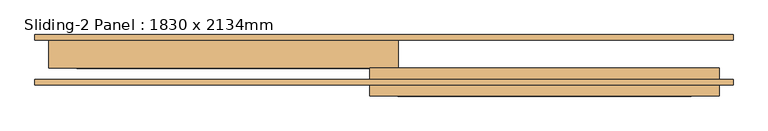
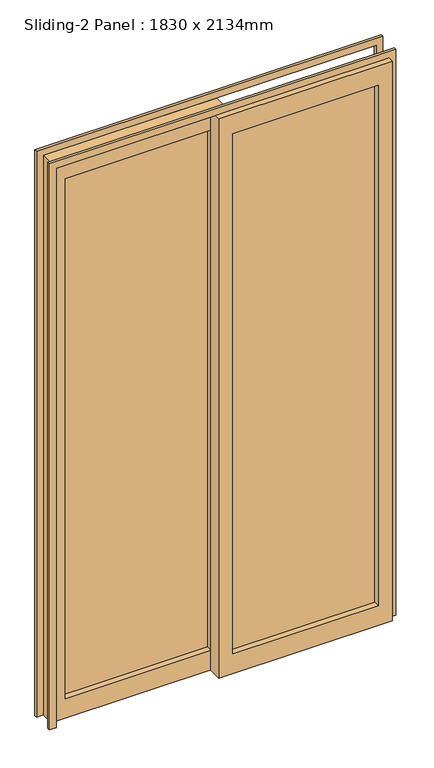
"""IFC4 building model written with IfcOpenShell, lengths in millimetres: door geometry, Sliding-2 Panel : 1830 x 2134mm."""

from ifc_helpers import new_model, si_unit, frame, origin, place, context, project, spatial, polyline, outline, extrude, source, transform, mapped, element, save


def sliding_2_panel_1830_x_2134mm_0e71eb37(model_context):
    return source(origin(), model_context, "Body", "SweptSolid", [
        extrude(outline(polyline([(25.4, 90.175), (550.0, 90.175), (550.0, 83.825), (25.4, 83.825), (25.4, 90.175)])), frame((0.0, 0.0, 75.0), z_axis=(0.0, 0.0, 1.0), x_axis=(1.0, 0.0, 0.0)), (0.0, 0.0, 1.0), 1984.0),
        extrude(outline(polyline([(2134.0, -25.4), (0.0, -25.4), (0.0, 600.0), (2134.0, 600.0), (2134.0, -25.4)]), holes=[polyline([(2059.0, 24.6), (2059.0, 550.0), (75.0, 550.0), (75.0, 24.6), (2059.0, 24.6)])]), frame((0.0, 62.0, 0.0), z_axis=(0.0, 1.0, 0.0), x_axis=(0.0, 0.0, 1.0)), (0.0, 0.0, 1.0), 50.0),
        extrude(outline(polyline([(-550.0, 140.175), (-24.6, 140.175), (-24.6, 133.825), (-550.0, 133.825), (-550.0, 140.175)])), frame((0.0, 0.0, 75.0), z_axis=(0.0, 0.0, 1.0), x_axis=(1.0, 0.0, 0.0)), (0.0, 0.0, 1.0), 1984.0),
        extrude(outline(polyline([(2134.0, 25.4), (2134.0, -600.0), (0.0, -600.0), (0.0, 25.4), (2134.0, 25.4)]), holes=[polyline([(2059.0, -24.6), (75.0, -24.6), (75.0, -550.0), (2059.0, -550.0), (2059.0, -24.6)])]), frame((0.0, 112.0, 0.0), z_axis=(0.0, 1.0, 0.0), x_axis=(0.0, 0.0, 1.0)), (0.0, 0.0, 1.0), 50.0),
        extrude(outline(polyline([(0.0, -625.0), (0.0, -600.0), (2134.0, -600.0), (2134.0, 600.0), (0.0, 600.0), (0.0, 625.0), (2159.0, 625.0), (2159.0, -625.0), (0.0, -625.0)])), frame((0.0, 82.0, 0.0), z_axis=(0.0, 1.0, 0.0), x_axis=(0.0, 0.0, 1.0)), (0.0, 0.0, 1.0), 10.0),
        extrude(outline(polyline([(0.0, 625.0), (2159.0, 625.0), (2159.0, -625.0), (0.0, -625.0), (0.0, -600.0), (2134.0, -600.0), (2134.0, 600.0), (0.0, 600.0), (0.0, 625.0)])), frame((0.0, 162.0, 0.0), z_axis=(0.0, 1.0, 0.0), x_axis=(0.0, 0.0, 1.0)), (0.0, 0.0, 1.0), 10.0),
    ])


if __name__ == "__main__":
    model = new_model("IFC4")
    model_context = context("Model", 3, world=origin())
    ifc_project = project(units=[si_unit("LENGTHUNIT", "METRE", prefix="MILLI")], contexts=[model_context])
    site = spatial("IfcSite", under=ifc_project)
    building = spatial("IfcBuilding", under=site)
    placement = place(None, origin())
    sliding_2_panel_1830_x_2134mm_shape = sliding_2_panel_1830_x_2134mm_0e71eb37(model_context)
    element("IfcDoor", 1, ObjectType="Sliding-2 Panel : 1830 x 2134mm", at=placement, inside=building, context=model_context, shape_type="MappedRepresentation", body=[
        mapped(sliding_2_panel_1830_x_2134mm_shape, transform((0.0, 0.0, 0.0), x_axis=(1.0, 0.0, 0.0), y_axis=(0.0, 1.0, 0.0), z_axis=(0.0, 0.0, 1.0))),
    ])
    save(model, "model.ifc")
